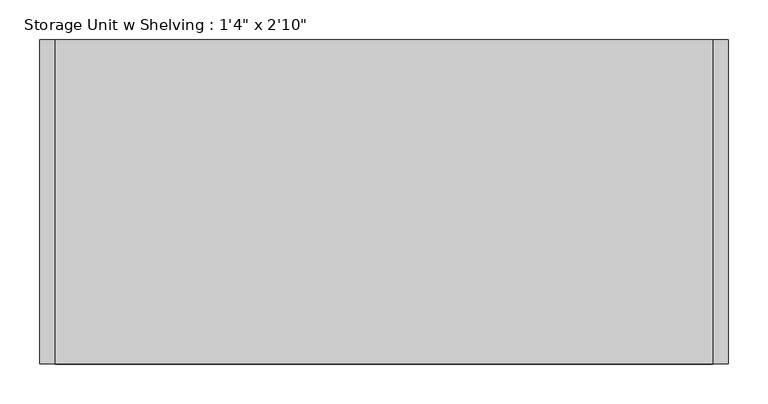
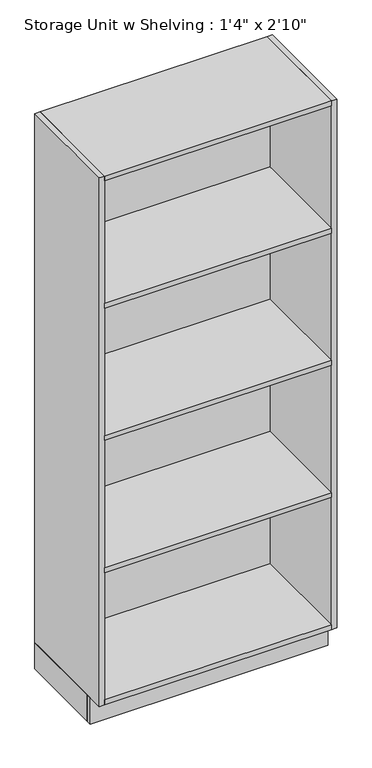
"""IFC4 building model written with IfcOpenShell, lengths in millimetres: furniture geometry."""

from ifc_helpers import new_model, si_unit, frame, origin, origin_with_axes, place, context, project, spatial, polyline, outline, extrude, source, transform, mapped, element, save


def furniture_2afcb066(model_context):
    return source(origin(), model_context, "Body", "SweptSolid", [
        extrude(outline(polyline([(306.990969, -330.2), (306.990969, 0.0), (326.040969, 0.0), (326.040969, -330.2), (306.990969, -330.2)])), origin_with_axes(), (0.0, 0.0, 1.0), 101.6),
        extrude(outline(polyline([(-537.559031, -330.2), (-537.559031, 0.0), (-518.509031, 0.0), (-518.509031, -330.2), (-537.559031, -330.2)])), origin_with_axes(), (0.0, 0.0, 1.0), 101.6),
        extrude(outline(polyline([(306.990969, -19.05), (306.990969, -406.4), (-518.509031, -406.4), (-518.509031, -19.05), (306.990969, -19.05)])), frame((0.0, 0.0, 1625.6), z_axis=(0.0, 0.0, 1.0), x_axis=(1.0, 0.0, 0.0)), (0.0, 0.0, 1.0), 19.05),
        extrude(outline(polyline([(306.990969, -19.05), (306.990969, -406.4), (-518.509031, -406.4), (-518.509031, -19.05), (306.990969, -19.05)])), frame((0.0, 0.0, 1117.6), z_axis=(0.0, 0.0, 1.0), x_axis=(1.0, 0.0, 0.0)), (0.0, 0.0, 1.0), 19.05),
        extrude(outline(polyline([(306.990969, -19.05), (306.990969, -406.4), (-518.509031, -406.4), (-518.509031, -19.05), (306.990969, -19.05)])), frame((0.0, 0.0, 609.6), z_axis=(0.0, 0.0, 1.0), x_axis=(1.0, 0.0, 0.0)), (0.0, 0.0, 1.0), 19.05),
        extrude(outline(polyline([(306.990969, -19.05), (306.990969, -406.4), (-518.509031, -406.4), (-518.509031, -19.05), (306.990969, -19.05)])), frame((0.0, 0.0, 101.6), z_axis=(0.0, 0.0, 1.0), x_axis=(1.0, 0.0, 0.0)), (0.0, 0.0, 1.0), 19.05),
        extrude(outline(polyline([(306.990969, -19.05), (-518.509031, -19.05), (-518.509031, 0.0), (306.990969, 0.0), (306.990969, -19.05)])), origin_with_axes(), (0.0, 0.0, 1.0), 2114.55),
        extrude(outline(polyline([(306.990969, 0.0), (306.990969, -406.4), (-518.509031, -406.4), (-518.509031, 0.0), (306.990969, 0.0)])), frame((0.0, 0.0, 2114.55), z_axis=(0.0, 0.0, 1.0), x_axis=(1.0, 0.0, 0.0)), (0.0, 0.0, 1.0), 19.05),
        extrude(outline(polyline([(306.990969, -406.4), (306.990969, 0.0), (326.040969, 0.0), (326.040969, -406.4), (306.990969, -406.4)])), frame((0.0, 0.0, 101.6), z_axis=(0.0, 0.0, 1.0), x_axis=(1.0, 0.0, 0.0)), (0.0, 0.0, 1.0), 2032.0),
        extrude(outline(polyline([(-537.559031, -406.4), (-537.559031, 0.0), (-518.509031, 0.0), (-518.509031, -406.4), (-537.559031, -406.4)])), frame((0.0, 0.0, 101.6), z_axis=(0.0, 0.0, 1.0), x_axis=(1.0, 0.0, 0.0)), (0.0, 0.0, 1.0), 2032.0),
        extrude(outline(polyline([(-537.559031, -349.25), (-537.559031, -330.2), (326.040969, -330.2), (326.040969, -349.25), (-537.559031, -349.25)])), origin_with_axes(), (0.0, 0.0, 1.0), 101.6),
    ])


if __name__ == "__main__":
    model = new_model("IFC4")
    model_context = context("Model", 3, world=origin())
    ifc_project = project(units=[si_unit("LENGTHUNIT", "METRE", prefix="MILLI")], contexts=[model_context])
    site = spatial("IfcSite", under=ifc_project)
    building = spatial("IfcBuilding", under=site)
    placement = place(None, origin())
    furniture_shape = furniture_2afcb066(model_context)
    element("IfcFurniture", 1, ObjectType="Storage Unit w Shelving : 1'4\" x 2'10\"", at=placement, inside=building, context=model_context, shape_type="MappedRepresentation", body=[
        mapped(furniture_shape, transform((0.0, 0.0, 0.0), x_axis=(1.0, 0.0, 0.0), y_axis=(0.0, 1.0, 0.0), z_axis=(0.0, 0.0, 1.0))),
    ])
    save(model, "model.ifc")
